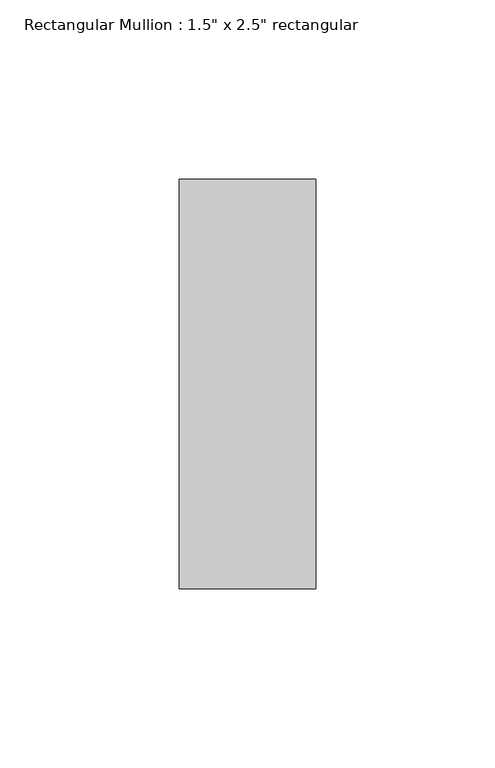
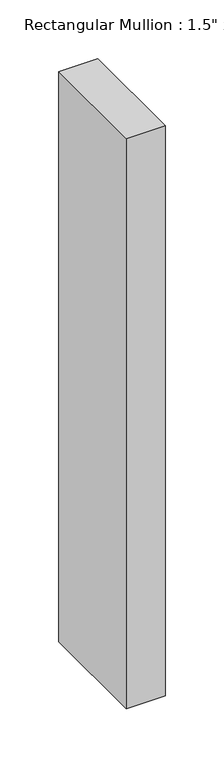
"""IFC4 building model written with IfcOpenShell, lengths in millimetres: member geometry."""

import ifcopenshell
import ifcopenshell.guid

model = None  # the IFC model being written
_history = None  # IfcOwnerHistory: only IFC2X3 demands one
_inside = {}  # id of a spatial element -> (the spatial element, [elements in it])
_under = {}  # id of a project, library or spatial element -> (it, [spatial elements below it])
_declared = {}  # id of a project -> (the project, [libraries it declares])
_typed = {}  # id of a type object -> (the type object, [elements of that type])
_made_of = {}  # id of a material, layer set ... -> (it, [elements and type objects made of it])


def new_model(schema):
    """Start an empty IFC model of exactly this schema.

    Asked for "IFC4X3", IfcOpenShell would pick the latest addendum, in which some entities
    have other attributes; the version numbers below select the first issue.
    IFC2X3 requires an IfcOwnerHistory on every rooted entity: one is made here for all.
    """
    global model, _history
    if schema == "IFC4X3":
        model = ifcopenshell.file(schema_version=(4, 3, 0, 0))
    else:
        model = ifcopenshell.file(schema=schema)
    _inside.clear()
    _under.clear()
    _declared.clear()
    _typed.clear()
    _made_of.clear()
    _history = None
    if model.schema == "IFC2X3":
        org = make("IfcOrganization", Name="unknown")
        user = make(
            "IfcPersonAndOrganization",
            ThePerson=make("IfcPerson", FamilyName="unknown"),
            TheOrganization=org,
        )
        app = make(
            "IfcApplication",
            ApplicationDeveloper=org,
            Version="unknown",
            ApplicationFullName="unknown",
            ApplicationIdentifier="unknown",
        )
        _history = make(
            "IfcOwnerHistory",
            OwningUser=user,
            OwningApplication=app,
            ChangeAction="ADDED",
            CreationDate=0,
        )
    return model


def make(cls, **values):
    """One entity of the class cls with the attributes given. An attribute that is None is left unset."""
    return model.create_entity(
        cls, **{name: value for name, value in values.items() if value is not None}
    )


def rooted(cls, **values):
    """An entity with a GlobalId (a new one), such as an element, a storey or a relation."""
    return make(cls, GlobalId=ifcopenshell.guid.new(), OwnerHistory=_history, **values)


def si_unit(unit_type, name, prefix=None):
    """IfcSIUnit, for example si_unit("LENGTHUNIT", "METRE", prefix="MILLI")."""
    return make("IfcSIUnit", UnitType=unit_type, Prefix=prefix, Name=name)


def assignment(units):
    """IfcUnitAssignment: the units of a project."""
    return None if units is None else make("IfcUnitAssignment", Units=units)


def point(xyz):
    """IfcCartesianPoint."""
    return None if xyz is None else make("IfcCartesianPoint", Coordinates=xyz)


def direction(xyz):
    """IfcDirection."""
    return None if xyz is None else make("IfcDirection", DirectionRatios=xyz)


def frame(location, z_axis=None, x_axis=None):
    """IfcAxis2Placement3D, a coordinate frame: its origin and axes. An axis left out is left unset."""
    return make(
        "IfcAxis2Placement3D",
        Location=point(location),
        Axis=direction(z_axis),
        RefDirection=direction(x_axis),
    )


def origin():
    """The frame at (0, 0, 0) with its axes left unset."""
    return frame((0.0, 0.0, 0.0))


def place(relative_to, where):
    """IfcLocalPlacement: puts the frame where relative to a parent placement (None: the world)."""
    return make(
        "IfcLocalPlacement", PlacementRelTo=relative_to, RelativePlacement=where
    )


def context(
    kind, dimensions, precision=None, world=None, true_north=None, identifier=None
):
    """IfcGeometricRepresentationContext, for example the 3D "Model" context."""
    return make(
        "IfcGeometricRepresentationContext",
        ContextIdentifier=identifier,
        ContextType=kind,
        CoordinateSpaceDimension=dimensions,
        Precision=precision,
        WorldCoordinateSystem=world,
        TrueNorth=true_north,
    )


def project(units=None, contexts=None):
    """IfcProject with its units and contexts."""
    return rooted(
        "IfcProject",
        Name="project",
        RepresentationContexts=contexts,
        UnitsInContext=assignment(units),
    )


def spatial(cls, under=None, at=None, **own):
    """A site, building, storey or space (cls), placed at a placement, below another one or the project."""
    s = rooted(cls, ObjectPlacement=at, **own)
    if under is not None:
        _under.setdefault(under.id(), (under, []))[1].append(s)
    return s


def polyline(points):
    """IfcPolyline through the points."""
    return make("IfcPolyline", Points=[point(p) for p in points])


def outline(outer, holes=None, kind="AREA"):
    """IfcArbitraryClosedProfileDef: a profile drawn as a closed curve; with holes, ...WithVoids."""
    if holes is None:
        return make("IfcArbitraryClosedProfileDef", ProfileType=kind, OuterCurve=outer)
    return make(
        "IfcArbitraryProfileDefWithVoids",
        ProfileType=kind,
        OuterCurve=outer,
        InnerCurves=holes,
    )


def extrude(swept, where, along, depth):
    """IfcExtrudedAreaSolid: the profile swept, set in the frame where, extruded along a direction by depth."""
    return make(
        "IfcExtrudedAreaSolid",
        SweptArea=swept,
        Position=where,
        ExtrudedDirection=direction(along),
        Depth=depth,
    )


def shape(context_of_items, identifier, shape_type, items):
    """IfcShapeRepresentation: the items that make up one representation, for example the "Body"."""
    return make(
        "IfcShapeRepresentation",
        ContextOfItems=context_of_items,
        RepresentationIdentifier=identifier,
        RepresentationType=shape_type,
        Items=items,
    )


def source(mapping_origin, context_of_items, identifier, shape_type, items):
    """IfcRepresentationMap: a shape defined once, which mapped items show again and again."""
    return make(
        "IfcRepresentationMap",
        MappingOrigin=mapping_origin,
        MappedRepresentation=shape(context_of_items, identifier, shape_type, items),
    )


def transform(
    local_origin,
    x_axis=None,
    y_axis=None,
    z_axis=None,
    scale=None,
    scale2=None,
    scale3=None,
    uniform=True,
):
    """IfcCartesianTransformationOperator3D, or its non-uniform kind. x_axis, y_axis, z_axis: its Axis1, 2, 3."""
    if uniform:
        return make(
            "IfcCartesianTransformationOperator3D",
            Axis1=direction(x_axis),
            Axis2=direction(y_axis),
            LocalOrigin=point(local_origin),
            Scale=scale,
            Axis3=direction(z_axis),
        )
    return make(
        "IfcCartesianTransformationOperator3DnonUniform",
        Axis1=direction(x_axis),
        Axis2=direction(y_axis),
        LocalOrigin=point(local_origin),
        Scale=scale,
        Axis3=direction(z_axis),
        Scale2=scale2,
        Scale3=scale3,
    )


def mapped(mapping_source, mapping_target):
    """IfcMappedItem: shows the shape of a source again, moved by a transform."""
    return make(
        "IfcMappedItem", MappingSource=mapping_source, MappingTarget=mapping_target
    )


def made_of(thing, what):
    """Note that an element or type object is made of a material, layer set ...; save() writes the relation."""
    if what is not None:
        _made_of.setdefault(what.id(), (what, []))[1].append(thing)
    return thing


def element(
    cls,
    number,
    at=None,
    inside=None,
    cuts=None,
    type_object=None,
    material=None,
    context=None,
    identifier="Body",
    shape_type=None,
    held_by="IfcProductDefinitionShape",
    body=None,
    shapes=None,
    **own,
):
    """One element of the class cls, such as IfcWall. Its Tag is "e" and its number.

    at: its placement. inside: the storey or other place that contains it. cuts: it is an
    opening in that element (IfcRelVoidsElement). A single representation is given by context,
    identifier, shape_type and body (its items); several are given by shapes. held_by: the class
    of the entity that holds the representations. save() writes the other relations.
    """
    e = rooted(cls, Tag="e%d" % number, ObjectPlacement=at, **own)
    if body is not None:
        shapes = [shape(context, identifier, shape_type, body)]
    if shapes is not None:
        e.Representation = make(held_by, Representations=shapes)
    if inside is not None:
        _inside.setdefault(inside.id(), (inside, []))[1].append(e)
    if cuts is not None:
        rooted(
            "IfcRelVoidsElement", RelatingBuildingElement=cuts, RelatedOpeningElement=e
        )
    if type_object is not None:
        _typed.setdefault(type_object.id(), (type_object, []))[1].append(e)
    return made_of(e, material)


def aggregate(whole, parts):
    """IfcRelAggregates: a whole, such as a stair, and the parts it consists of."""
    return rooted("IfcRelAggregates", RelatingObject=whole, RelatedObjects=parts)


def save(model, path):
    """Write the relations noted so far, then the file.

    IfcRelAggregates (storeys below a building ...), IfcRelContainedInSpatialStructure (elements
    in a storey), IfcRelDefinesByType, IfcRelAssociatesMaterial and IfcRelDeclares: one each for
    every whole, place, type object, material and project.
    """
    for whole, parts in _under.values():
        aggregate(whole, parts)
    for where, things in _inside.values():
        rooted(
            "IfcRelContainedInSpatialStructure",
            RelatedElements=things,
            RelatingStructure=where,
        )
    for kind, things in _typed.values():
        rooted("IfcRelDefinesByType", RelatedObjects=things, RelatingType=kind)
    for what, things in _made_of.values():
        rooted("IfcRelAssociatesMaterial", RelatedObjects=things, RelatingMaterial=what)
    for by, libraries in _declared.values():
        rooted("IfcRelDeclares", RelatingContext=by, RelatedDefinitions=libraries)
    model.write(path)


def member_c86c42a7(model_context):
    return source(origin(), model_context, "Body", "SweptSolid", [
        extrude(outline(polyline([(19.05, 57.15), (19.05, -57.15), (-19.05, -57.15), (-19.05, 57.15), (19.05, 57.15)])), frame((0.0, 0.0, -591.34375), z_axis=(0.0, 0.0, 1.0), x_axis=(1.0, 0.0, 0.0)), (0.0, 0.0, 1.0), 591.34375),
    ])


if __name__ == "__main__":
    model = new_model("IFC4")
    model_context = context("Model", 3, world=origin())
    ifc_project = project(units=[si_unit("LENGTHUNIT", "METRE", prefix="MILLI")], contexts=[model_context])
    site = spatial("IfcSite", under=ifc_project)
    building = spatial("IfcBuilding", under=site)
    placement = place(None, origin())
    member_shape = member_c86c42a7(model_context)
    element("IfcMember", 1, ObjectType="Rectangular Mullion : 1.5\" x 2.5\" rectangular", at=placement, inside=building, context=model_context, shape_type="MappedRepresentation", body=[
        mapped(member_shape, transform((0.0, 0.0, 0.0), x_axis=(1.0, 0.0, 0.0), y_axis=(0.0, 1.0, 0.0), z_axis=(0.0, 0.0, 1.0))),
    ])
    save(model, "model.ifc")
